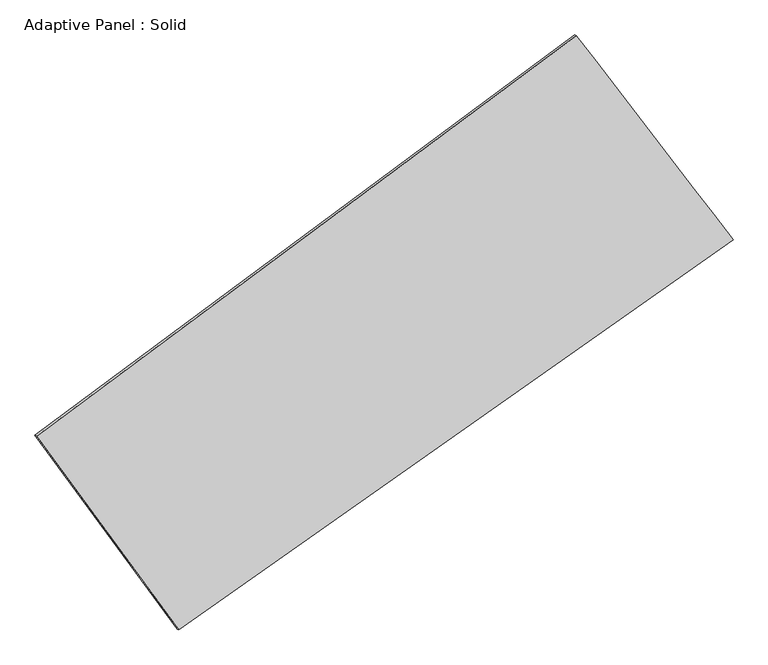
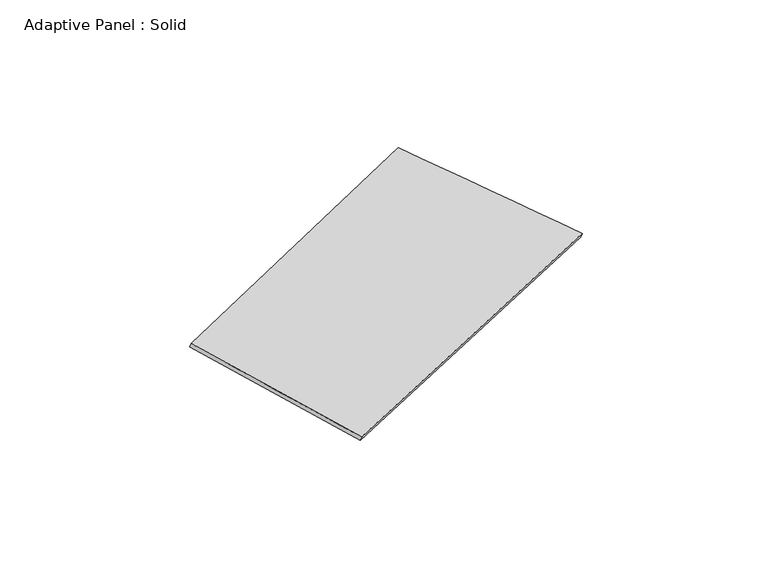
"""IFC4 building model written with IfcOpenShell, lengths in millimetres: plate geometry, Adaptive Panel : Solid."""

import ifcopenshell
import ifcopenshell.guid

model = None  # the IFC model being written
_history = None  # IfcOwnerHistory: only IFC2X3 demands one
_inside = {}  # id of a spatial element -> (the spatial element, [elements in it])
_under = {}  # id of a project, library or spatial element -> (it, [spatial elements below it])
_declared = {}  # id of a project -> (the project, [libraries it declares])
_typed = {}  # id of a type object -> (the type object, [elements of that type])
_made_of = {}  # id of a material, layer set ... -> (it, [elements and type objects made of it])


def new_model(schema):
    """Start an empty IFC model of exactly this schema.

    Asked for "IFC4X3", IfcOpenShell would pick the latest addendum, in which some entities
    have other attributes; the version numbers below select the first issue.
    IFC2X3 requires an IfcOwnerHistory on every rooted entity: one is made here for all.
    """
    global model, _history
    if schema == "IFC4X3":
        model = ifcopenshell.file(schema_version=(4, 3, 0, 0))
    else:
        model = ifcopenshell.file(schema=schema)
    _inside.clear()
    _under.clear()
    _declared.clear()
    _typed.clear()
    _made_of.clear()
    _history = None
    if model.schema == "IFC2X3":
        org = make("IfcOrganization", Name="unknown")
        user = make(
            "IfcPersonAndOrganization",
            ThePerson=make("IfcPerson", FamilyName="unknown"),
            TheOrganization=org,
        )
        app = make(
            "IfcApplication",
            ApplicationDeveloper=org,
            Version="unknown",
            ApplicationFullName="unknown",
            ApplicationIdentifier="unknown",
        )
        _history = make(
            "IfcOwnerHistory",
            OwningUser=user,
            OwningApplication=app,
            ChangeAction="ADDED",
            CreationDate=0,
        )
    return model


def make(cls, **values):
    """One entity of the class cls with the attributes given. An attribute that is None is left unset."""
    return model.create_entity(
        cls, **{name: value for name, value in values.items() if value is not None}
    )


def rooted(cls, **values):
    """An entity with a GlobalId (a new one), such as an element, a storey or a relation."""
    return make(cls, GlobalId=ifcopenshell.guid.new(), OwnerHistory=_history, **values)


def si_unit(unit_type, name, prefix=None):
    """IfcSIUnit, for example si_unit("LENGTHUNIT", "METRE", prefix="MILLI")."""
    return make("IfcSIUnit", UnitType=unit_type, Prefix=prefix, Name=name)


def assignment(units):
    """IfcUnitAssignment: the units of a project."""
    return None if units is None else make("IfcUnitAssignment", Units=units)


def point(xyz):
    """IfcCartesianPoint."""
    return None if xyz is None else make("IfcCartesianPoint", Coordinates=xyz)


def direction(xyz):
    """IfcDirection."""
    return None if xyz is None else make("IfcDirection", DirectionRatios=xyz)


def frame(location, z_axis=None, x_axis=None):
    """IfcAxis2Placement3D, a coordinate frame: its origin and axes. An axis left out is left unset."""
    return make(
        "IfcAxis2Placement3D",
        Location=point(location),
        Axis=direction(z_axis),
        RefDirection=direction(x_axis),
    )


def origin():
    """The frame at (0, 0, 0) with its axes left unset."""
    return frame((0.0, 0.0, 0.0))


def place(relative_to, where):
    """IfcLocalPlacement: puts the frame where relative to a parent placement (None: the world)."""
    return make(
        "IfcLocalPlacement", PlacementRelTo=relative_to, RelativePlacement=where
    )


def context(
    kind, dimensions, precision=None, world=None, true_north=None, identifier=None
):
    """IfcGeometricRepresentationContext, for example the 3D "Model" context."""
    return make(
        "IfcGeometricRepresentationContext",
        ContextIdentifier=identifier,
        ContextType=kind,
        CoordinateSpaceDimension=dimensions,
        Precision=precision,
        WorldCoordinateSystem=world,
        TrueNorth=true_north,
    )


def project(units=None, contexts=None):
    """IfcProject with its units and contexts."""
    return rooted(
        "IfcProject",
        Name="project",
        RepresentationContexts=contexts,
        UnitsInContext=assignment(units),
    )


def spatial(cls, under=None, at=None, **own):
    """A site, building, storey or space (cls), placed at a placement, below another one or the project."""
    s = rooted(cls, ObjectPlacement=at, **own)
    if under is not None:
        _under.setdefault(under.id(), (under, []))[1].append(s)
    return s


def shape(context_of_items, identifier, shape_type, items):
    """IfcShapeRepresentation: the items that make up one representation, for example the "Body"."""
    return make(
        "IfcShapeRepresentation",
        ContextOfItems=context_of_items,
        RepresentationIdentifier=identifier,
        RepresentationType=shape_type,
        Items=items,
    )


def source(mapping_origin, context_of_items, identifier, shape_type, items):
    """IfcRepresentationMap: a shape defined once, which mapped items show again and again."""
    return make(
        "IfcRepresentationMap",
        MappingOrigin=mapping_origin,
        MappedRepresentation=shape(context_of_items, identifier, shape_type, items),
    )


def transform(
    local_origin,
    x_axis=None,
    y_axis=None,
    z_axis=None,
    scale=None,
    scale2=None,
    scale3=None,
    uniform=True,
):
    """IfcCartesianTransformationOperator3D, or its non-uniform kind. x_axis, y_axis, z_axis: its Axis1, 2, 3."""
    if uniform:
        return make(
            "IfcCartesianTransformationOperator3D",
            Axis1=direction(x_axis),
            Axis2=direction(y_axis),
            LocalOrigin=point(local_origin),
            Scale=scale,
            Axis3=direction(z_axis),
        )
    return make(
        "IfcCartesianTransformationOperator3DnonUniform",
        Axis1=direction(x_axis),
        Axis2=direction(y_axis),
        LocalOrigin=point(local_origin),
        Scale=scale,
        Axis3=direction(z_axis),
        Scale2=scale2,
        Scale3=scale3,
    )


def mapped(mapping_source, mapping_target):
    """IfcMappedItem: shows the shape of a source again, moved by a transform."""
    return make(
        "IfcMappedItem", MappingSource=mapping_source, MappingTarget=mapping_target
    )


def made_of(thing, what):
    """Note that an element or type object is made of a material, layer set ...; save() writes the relation."""
    if what is not None:
        _made_of.setdefault(what.id(), (what, []))[1].append(thing)
    return thing


def element(
    cls,
    number,
    at=None,
    inside=None,
    cuts=None,
    type_object=None,
    material=None,
    context=None,
    identifier="Body",
    shape_type=None,
    held_by="IfcProductDefinitionShape",
    body=None,
    shapes=None,
    **own,
):
    """One element of the class cls, such as IfcWall. Its Tag is "e" and its number.

    at: its placement. inside: the storey or other place that contains it. cuts: it is an
    opening in that element (IfcRelVoidsElement). A single representation is given by context,
    identifier, shape_type and body (its items); several are given by shapes. held_by: the class
    of the entity that holds the representations. save() writes the other relations.
    """
    e = rooted(cls, Tag="e%d" % number, ObjectPlacement=at, **own)
    if body is not None:
        shapes = [shape(context, identifier, shape_type, body)]
    if shapes is not None:
        e.Representation = make(held_by, Representations=shapes)
    if inside is not None:
        _inside.setdefault(inside.id(), (inside, []))[1].append(e)
    if cuts is not None:
        rooted(
            "IfcRelVoidsElement", RelatingBuildingElement=cuts, RelatedOpeningElement=e
        )
    if type_object is not None:
        _typed.setdefault(type_object.id(), (type_object, []))[1].append(e)
    return made_of(e, material)


def aggregate(whole, parts):
    """IfcRelAggregates: a whole, such as a stair, and the parts it consists of."""
    return rooted("IfcRelAggregates", RelatingObject=whole, RelatedObjects=parts)


def save(model, path):
    """Write the relations noted so far, then the file.

    IfcRelAggregates (storeys below a building ...), IfcRelContainedInSpatialStructure (elements
    in a storey), IfcRelDefinesByType, IfcRelAssociatesMaterial and IfcRelDeclares: one each for
    every whole, place, type object, material and project.
    """
    for whole, parts in _under.values():
        aggregate(whole, parts)
    for where, things in _inside.values():
        rooted(
            "IfcRelContainedInSpatialStructure",
            RelatedElements=things,
            RelatingStructure=where,
        )
    for kind, things in _typed.values():
        rooted("IfcRelDefinesByType", RelatedObjects=things, RelatingType=kind)
    for what, things in _made_of.values():
        rooted("IfcRelAssociatesMaterial", RelatedObjects=things, RelatingMaterial=what)
    for by, libraries in _declared.values():
        rooted("IfcRelDeclares", RelatingContext=by, RelatedDefinitions=libraries)
    model.write(path)


def plane_surface(at):
    """IfcPlane: the flat surface through the origin of the frame at, square to its z axis."""
    return make("IfcPlane", Position=at)


def spline_surface(u_degree, v_degree, points, u_multiplicities, v_multiplicities, u_knots, v_knots, weights=None):
    """IfcBSplineSurfaceWithKnots; with weights, IfcRationalBSplineSurfaceWithKnots. points: one row for each step in u."""
    own = dict(
        UDegree=u_degree,
        VDegree=v_degree,
        ControlPointsList=[[point(p) for p in row] for row in points],
        SurfaceForm="UNSPECIFIED",
        UClosed=False,
        VClosed=False,
        SelfIntersect=False,
        UMultiplicities=u_multiplicities,
        VMultiplicities=v_multiplicities,
        UKnots=u_knots,
        VKnots=v_knots,
        KnotSpec="UNSPECIFIED",
    )
    if weights is None:
        return make("IfcBSplineSurfaceWithKnots", **own)
    return make("IfcRationalBSplineSurfaceWithKnots", WeightsData=weights, **own)


def advanced_brep(points, edges, surfaces, faces):
    """IfcAdvancedBrep: a solid bounded by faces that lie on surfaces and meet in shared edges.

    An edge is (start, end): straight between two places in points (the first is 0);
    or (start, end, curve); or (start, end, curve, False) where it runs against its curve.
    A face is (place in surfaces, loops), or (place, loops, False) where it looks against
    its surface's normal. A loop lists edges by number (the first is 1), with a minus sign
    where the edge is run from its end to its start. The first loop is the outer one.
    """
    corners = [point(p) for p in points]
    vertices = [make("IfcVertexPoint", VertexGeometry=c) for c in corners]
    made = []
    for start, end, *more in edges:
        made.append(
            make(
                "IfcEdgeCurve",
                EdgeStart=vertices[start],
                EdgeEnd=vertices[end],
                EdgeGeometry=more[0] if more else make("IfcPolyline", Points=[corners[start], corners[end]]),
                SameSense=more[1] if len(more) > 1 else True,
            )
        )
    hull = []
    for where, loops, *sense in faces:
        bounds = []
        for j, loop in enumerate(loops):
            ring = [make("IfcOrientedEdge", EdgeElement=made[abs(k) - 1], Orientation=k > 0) for k in loop]
            bounds.append(
                make(
                    "IfcFaceOuterBound" if j == 0 else "IfcFaceBound",
                    Bound=make("IfcEdgeLoop", EdgeList=ring),
                    Orientation=True,
                )
            )
        hull.append(make("IfcAdvancedFace", Bounds=bounds, FaceSurface=surfaces[where], SameSense=sense[0] if sense else True))
    return make("IfcAdvancedBrep", Outer=make("IfcClosedShell", CfsFaces=hull))


def adaptive_panel_solid_44fbd66a(model_context):
    return source(origin(), model_context, "Body", "AdvancedBrep", [
        advanced_brep(
        [(1045.2551902, 2503.0224981, 656.3146943), (-3644.4301778, -976.4386698, 1722.486669), (-3629.763822, -982.8187633, 1769.859577), (1059.921546, 2496.6424046, 703.6876024), (-2409.660959, -2657.9970243, 1029.0261153), (-2394.9946031, -2664.3771177, 1076.3990233), (2405.5453685, 731.1646232, 77.2950416), (2420.2117243, 724.7845297, 124.6679496)],
        [
            (0, 1),
            (1, 2),
            (2, 3),
            (3, 0),
            (1, 4),
            (4, 5),
            (5, 2),
            (4, 6),
            (6, 7),
            (7, 5),
            (6, 0),
            (3, 7),
        ],
        [
            plane_surface(frame((-1299.5874938, 763.2919141, 1189.4006816), z_axis=(-0.5324891926875462, 0.801281218970053, 0.2727703572546539), x_axis=(-0.7900365649256971, -0.5861590561359732, 0.17961009712761153))),
            plane_surface(frame((-3027.0455684, -1817.217847, 1375.7563921), z_axis=(-0.765455290620761, -0.6250855443202883, 0.1527948308762287), x_axis=(0.5616545247855717, -0.7648837078447951, -0.31543162216476023))),
            plane_surface(frame((-2.0577952, -963.4162005, 553.1605785), z_axis=(0.5180274620845836, -0.8117321779860308, -0.26970061132348305), x_axis=(0.8072751203029003, 0.5681970180719249, -0.15955885683380494))),
            plane_surface(frame((1725.4002793, 1617.0935606, 366.804868), z_axis=(0.7599194583329454, 0.6324521757301177, -0.15008884789085125), x_axis=(-0.5894762528553156, 0.7678274513321238, 0.2509158271223064))),
            spline_surface(1, 1, [[(-3629.763822, -982.8187633, 1769.859577), (1059.921546, 2496.6424046, 703.6876024)], [(-2394.9946031, -2664.3771177, 1076.3990233), (2420.2117243, 724.7845297, 124.6679496)]], [2, 2], [2, 2], [0.0, 1.0], [0.0, 1.0]),
            spline_surface(1, 1, [[(2405.5453685, 731.1646232, 77.2950416), (1045.2551902, 2503.0224981, 656.3146943)], [(-2409.660959, -2657.9970243, 1029.0261153), (-3644.4301778, -976.4386698, 1722.486669)]], [2, 2], [2, 2], [0.0, 1.0], [0.0, 1.0]),
        ],
        [
            (0, [[1, 2, 3, 4]]),
            (1, [[5, 6, 7, -2]]),
            (2, [[8, 9, 10, -6]]),
            (3, [[11, -4, 12, -9]]),
            (4, [[-3, -7, -10, -12]]),
            (5, [[-11, -8, -5, -1]]),
        ],
    ),
    ])


if __name__ == "__main__":
    model = new_model("IFC4")
    model_context = context("Model", 3, world=origin())
    ifc_project = project(units=[si_unit("LENGTHUNIT", "METRE", prefix="MILLI")], contexts=[model_context])
    site = spatial("IfcSite", under=ifc_project)
    building = spatial("IfcBuilding", under=site)
    placement = place(None, origin())
    adaptive_panel_solid_shape = adaptive_panel_solid_44fbd66a(model_context)
    element("IfcPlate", 1, ObjectType="Adaptive Panel : Solid", at=placement, inside=building, context=model_context, shape_type="MappedRepresentation", body=[
        mapped(adaptive_panel_solid_shape, transform((0.0, 0.0, 0.0), x_axis=(1.0, 0.0, 0.0), y_axis=(0.0, 1.0, 0.0), z_axis=(0.0, 0.0, 1.0))),
    ])
    save(model, "model.ifc")
